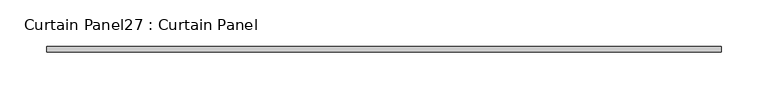
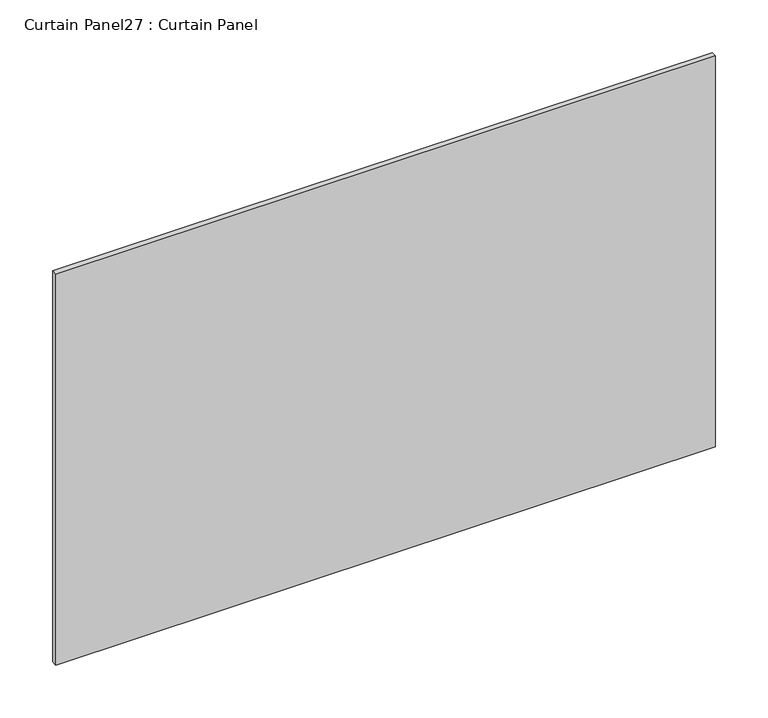
"""IFC4 building model written with IfcOpenShell, lengths in millimetres: plate geometry, Curtain Panel27 : Curtain Panel."""

from ifc_helpers import new_model, si_unit, frame, origin, place, context, project, spatial, polyline, outline, extrude, source, transform, mapped, element, save


def curtain_panel27_curtain_panel_7458bc78(model_context):
    return source(origin(), model_context, "Body", "SweptSolid", [
        extrude(outline(polyline([(3965.0373724, 3568.3617926), (3240.5623895, 3568.3617926), (3240.5623895, 3574.7117926), (3965.0373724, 3574.7117926), (3965.0373724, 3568.3617926)])), frame((0.0, 0.0, 2554.398625), z_axis=(0.0, 0.0, 1.0), x_axis=(1.0, 0.0, 0.0)), (0.0, 0.0, 1.0), 453.80275),
    ])


if __name__ == "__main__":
    model = new_model("IFC4")
    model_context = context("Model", 3, world=origin())
    ifc_project = project(units=[si_unit("LENGTHUNIT", "METRE", prefix="MILLI")], contexts=[model_context])
    site = spatial("IfcSite", under=ifc_project)
    building = spatial("IfcBuilding", under=site)
    placement = place(None, origin())
    curtain_panel27_curtain_panel_shape = curtain_panel27_curtain_panel_7458bc78(model_context)
    element("IfcPlate", 1, ObjectType="Curtain Panel27 : Curtain Panel", at=placement, inside=building, context=model_context, shape_type="MappedRepresentation", body=[
        mapped(curtain_panel27_curtain_panel_shape, transform((0.0, 0.0, 0.0), x_axis=(1.0, 0.0, 0.0), y_axis=(0.0, 1.0, 0.0), z_axis=(0.0, 0.0, 1.0))),
    ])
    save(model, "model.ifc")
